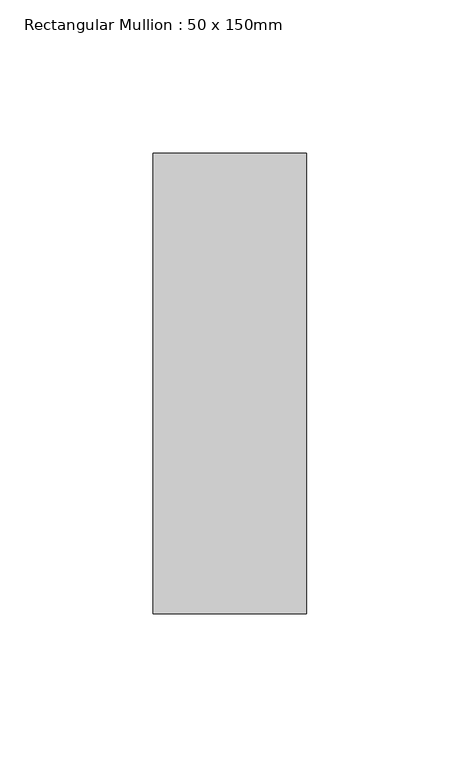
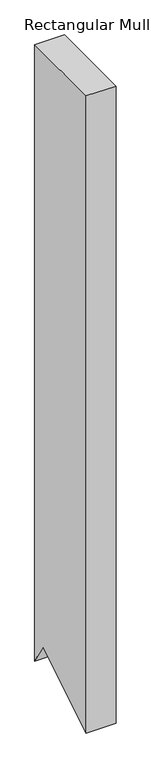
"""IFC4 building model written with IfcOpenShell, lengths in millimetres: member geometry, Rectangular Mullion : 50 x 150mm."""

from ifc_helpers import new_model, si_unit, frame, origin, place, context, project, spatial, polyline, outline, extrude, source, transform, mapped, element, save


def rectangular_mullion_50_x_150mm_bb958d07(model_context):
    return source(origin(), model_context, "Body", "SweptSolid", [
        extrude(outline(polyline([(-75.0, 0.0), (75.0, 0.0), (75.0, -1094.9565335), (51.3716673, -1055.6915225), (-75.0, -1131.7376439), (-75.0, 0.0)])), frame((-50.0, 0.0, 0.0), z_axis=(1.0, 0.0, 0.0), x_axis=(0.0, 1.0, 0.0)), (0.0, 0.0, 1.0), 50.0),
    ])


if __name__ == "__main__":
    model = new_model("IFC4")
    model_context = context("Model", 3, world=origin())
    ifc_project = project(units=[si_unit("LENGTHUNIT", "METRE", prefix="MILLI")], contexts=[model_context])
    site = spatial("IfcSite", under=ifc_project)
    building = spatial("IfcBuilding", under=site)
    placement = place(None, origin())
    rectangular_mullion_50_x_150mm_shape = rectangular_mullion_50_x_150mm_bb958d07(model_context)
    element("IfcMember", 1, ObjectType="Rectangular Mullion : 50 x 150mm", at=placement, inside=building, context=model_context, shape_type="MappedRepresentation", body=[
        mapped(rectangular_mullion_50_x_150mm_shape, transform((0.0, 0.0, 0.0), x_axis=(1.0, 0.0, 0.0), y_axis=(0.0, 1.0, 0.0), z_axis=(0.0, 0.0, 1.0))),
    ])
    save(model, "model.ifc")
